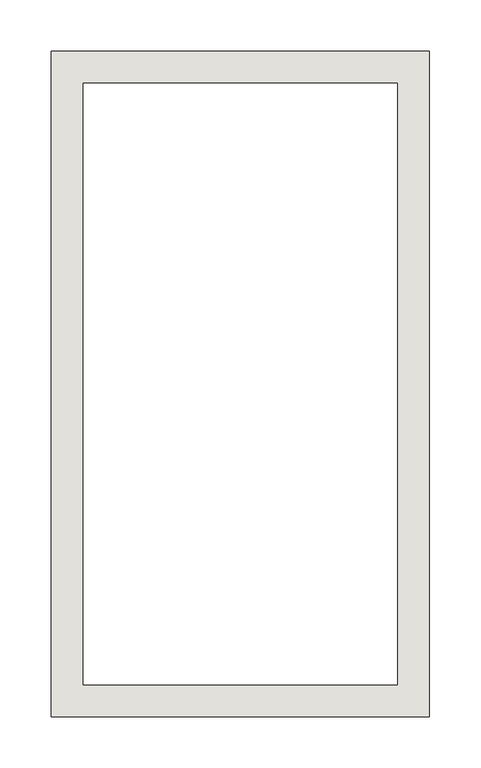
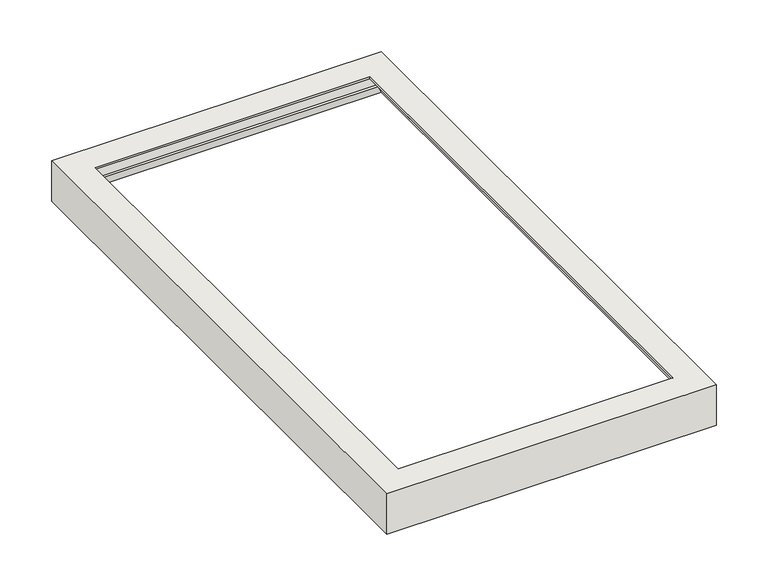
"""IFC4 building model written with IfcOpenShell, lengths in millimetres: wall geometry."""

from ifc_helpers import new_model, si_unit, origin, place, context, project, spatial, faceted_brep, source, transform, mapped, element, save


def wall_d4c38256(model_context):
    return source(origin(), model_context, "Body", "Brep", [
        faceted_brep([(-1914.9272492, -1766.7138206, 8373.9999999), (-1914.9272492, -1766.7138206, 8412.3999999), (-1550.9272492, -1766.7138206, 8412.3999999), (-1550.9272492, -1766.7138206, 8373.9999999), (-1909.9272492, -1761.7138206, 8382.6602539), (-1555.9272492, -1761.7138206, 8382.6602539), (-1908.1951984, -1759.9817698, 8381.6602539), (-1557.6593, -1759.9817698, 8381.6602539), (-1916.9272492, -1768.7138206, 8366.5358983), (-1548.9272492, -1768.7138206, 8366.5358983), (-1916.9272492, -1768.7138206, 8414.3999999), (-1548.9272492, -1768.7138206, 8414.3999999), (-1885.9272492, -1737.7138206, 8412.3999999), (-1885.9272492, -1737.7138206, 8414.3999999), (-1579.9272492, -1737.7138206, 8414.3999999), (-1579.9272492, -1737.7138206, 8412.3999999), (-1550.9272492, -1122.7138206, 8412.3999999), (-1550.9272492, -1122.7138206, 8373.9999999), (-1555.9272492, -1127.7138206, 8382.6602539), (-1557.6593, -1129.4458715, 8381.6602539), (-1548.9272492, -1120.7138206, 8366.5358983), (-1548.9272492, -1120.7138206, 8414.3999999), (-1579.9272492, -1151.7138206, 8414.3999999), (-1579.9272492, -1151.7138206, 8412.3999999), (-1914.9272492, -1122.7138206, 8412.3999999), (-1914.9272492, -1122.7138206, 8373.9999999), (-1909.9272492, -1127.7138206, 8382.6602539), (-1908.1951984, -1129.4458715, 8381.6602539), (-1916.9272492, -1120.7138206, 8366.5358983), (-1916.9272492, -1120.7138206, 8414.3999999), (-1885.9272492, -1151.7138206, 8414.3999999), (-1885.9272492, -1151.7138206, 8412.3999999)], [[[0, 1, 2, 3]], [[4, 0, 3, 5]], [[6, 4, 5, 7]], [[8, 6, 7, 9]], [[10, 8, 9, 11]], [[12, 13, 14, 15]], [[3, 2, 16, 17]], [[5, 3, 17, 18]], [[7, 5, 18, 19]], [[9, 7, 19, 20]], [[11, 9, 20, 21]], [[15, 14, 22, 23]], [[17, 16, 24, 25]], [[18, 17, 25, 26]], [[19, 18, 26, 27]], [[20, 19, 27, 28]], [[21, 20, 28, 29]], [[23, 22, 30, 31]], [[25, 24, 1, 0]], [[26, 25, 0, 4]], [[27, 26, 4, 6]], [[28, 27, 6, 8]], [[29, 28, 8, 10]], [[11, 21, 29, 10], [13, 30, 22, 14]], [[31, 30, 13, 12]], [[1, 24, 16, 2], [15, 23, 31, 12]]]),
    ])


if __name__ == "__main__":
    model = new_model("IFC4")
    model_context = context("Model", 3, world=origin())
    ifc_project = project(units=[si_unit("LENGTHUNIT", "METRE", prefix="MILLI")], contexts=[model_context])
    site = spatial("IfcSite", under=ifc_project)
    building = spatial("IfcBuilding", under=site)
    placement = place(None, origin())
    wall_shape = wall_d4c38256(model_context)
    element("IfcWall", 1, at=placement, inside=building, context=model_context, shape_type="MappedRepresentation", body=[
        mapped(wall_shape, transform((0.0, 0.0, 0.0), x_axis=(1.0, 0.0, 0.0), y_axis=(0.0, 1.0, 0.0), z_axis=(0.0, 0.0, 1.0))),
    ])
    save(model, "model.ifc")
